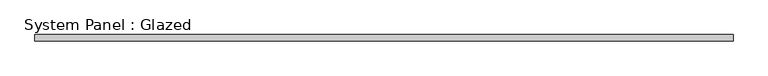
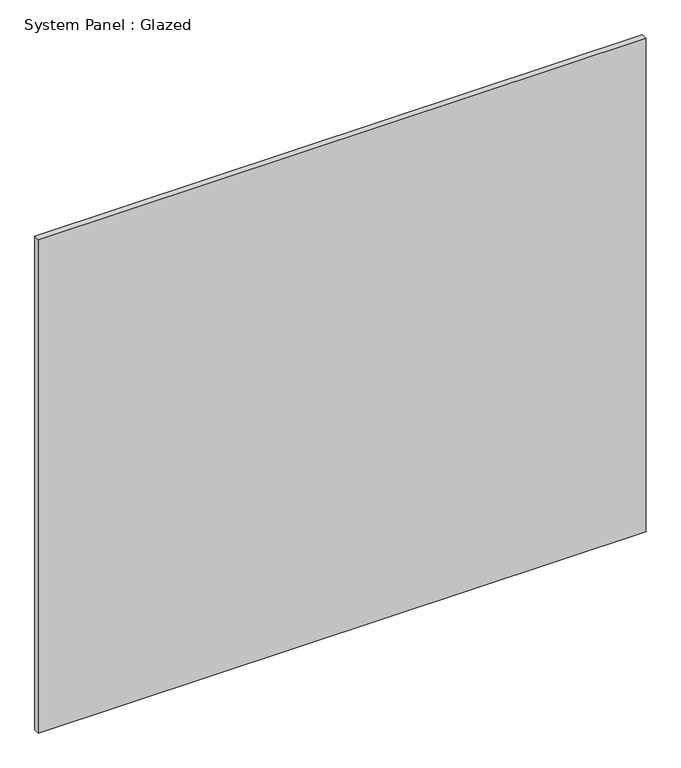
"""IFC4 building model written with IfcOpenShell, lengths in millimetres: plate geometry, System Panel : Glazed."""

from ifc_helpers import new_model, si_unit, origin, origin_with_axes, place, context, project, spatial, polyline, outline, extrude, source, transform, mapped, element, save


def system_panel_glazed_37a5b74a(model_context):
    return source(origin(), model_context, "Body", "SweptSolid", [
        extrude(outline(polyline([(1365.25, 19.05), (-1365.25, 19.05), (-1365.25, 44.45), (1365.25, 44.45), (1365.25, 19.05)])), origin_with_axes(), (0.0, 0.0, 1.0), 2343.15),
    ])


if __name__ == "__main__":
    model = new_model("IFC4")
    model_context = context("Model", 3, world=origin())
    ifc_project = project(units=[si_unit("LENGTHUNIT", "METRE", prefix="MILLI")], contexts=[model_context])
    site = spatial("IfcSite", under=ifc_project)
    building = spatial("IfcBuilding", under=site)
    placement = place(None, origin())
    system_panel_glazed_shape = system_panel_glazed_37a5b74a(model_context)
    element("IfcPlate", 1, ObjectType="System Panel : Glazed", at=placement, inside=building, context=model_context, shape_type="MappedRepresentation", body=[
        mapped(system_panel_glazed_shape, transform((0.0, 0.0, 0.0), x_axis=(1.0, 0.0, 0.0), y_axis=(0.0, 1.0, 0.0), z_axis=(0.0, 0.0, 1.0))),
    ])
    save(model, "model.ifc")
